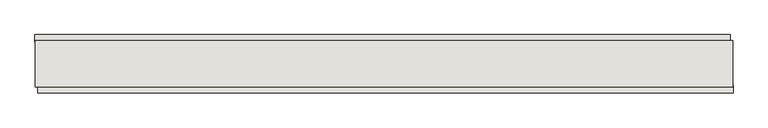
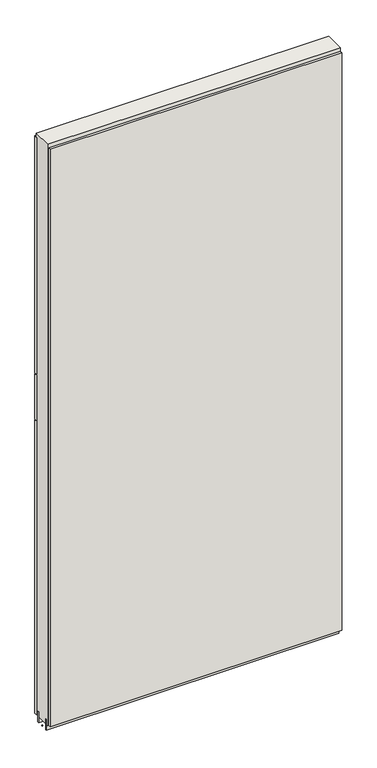
"""IFC4 building model written with IfcOpenShell, lengths in millimetres: wall geometry."""

from ifc_helpers import new_model, si_unit, frame, origin, place, context, project, spatial, polyline, outline, extrude, source, transform, mapped, element, save


def wall_33778266(model_context):
    return source(origin(), model_context, "Body", "SweptSolid", [
        extrude(outline(polyline([(41657.27, -45576.627668), (41654.73, -45576.627668), (41654.73, -45574.087668), (41657.27, -45574.087668), (41657.27, -45576.627668)])), frame((0.0, 0.0, 4419.6), z_axis=(0.0, 0.0, 1.0), x_axis=(1.0, 0.0, 0.0)), (0.0, 0.0, 1.0), 2.54),
        extrude(outline(polyline([(41654.2668818, -45524.557668), (42869.4668898, -45524.557668), (42869.4668898, -45537.257668), (41654.2668818, -45537.257668), (41654.2668818, -45524.557668)])), frame((0.0, 0.0, 5945.599869), z_axis=(0.0, 0.0, 1.0), x_axis=(1.0, 0.0, 0.0)), (0.0, 0.0, 1.0), 1044.449905),
        extrude(outline(polyline([(41654.2668818, -45524.557668), (42869.4668898, -45524.557668), (42869.4668898, -45537.257668), (41654.2668818, -45537.257668), (41654.2668818, -45524.557668)])), frame((0.0, 0.0, 5742.3999706), z_axis=(0.0, 0.0, 1.0), x_axis=(1.0, 0.0, 0.0)), (0.0, 0.0, 1.0), 199.2000512),
        extrude(outline(polyline([(41654.2668818, -45524.557668), (42869.4668898, -45524.557668), (42869.4668898, -45537.257668), (41654.2668818, -45537.257668), (41654.2668818, -45524.557668)])), frame((0.0, 0.0, 4445.0), z_axis=(0.0, 0.0, 1.0), x_axis=(1.0, 0.0, 0.0)), (0.0, 0.0, 1.0), 1293.400004),
        extrude(outline(polyline([(42874.3968266, -45626.157668), (41659.1968186, -45626.157668), (41659.1968186, -45613.457668), (42874.3968266, -45613.457668), (42874.3968266, -45626.157668)])), frame((0.0, 0.0, 4445.0), z_axis=(0.0, 0.0, 1.0), x_axis=(1.0, 0.0, 0.0)), (0.0, 0.0, 1.0), 2545.0498756),
        extrude(outline(polyline([(42873.9287554, -45550.2770222), (41654.7287554, -45550.2770222), (41654.7287554, -45545.1982668), (42873.9287554, -45545.1982668), (42873.9287554, -45550.2770222)])), frame((0.0, 0.0, 4418.6602), z_axis=(0.0, 0.0, 1.0), x_axis=(1.0, 0.0, 0.0)), (0.0, 0.0, 1.0), 47.625),
        extrude(outline(polyline([(42873.9287554, -45550.2770222), (41654.7287554, -45550.2770222), (41654.7287554, -45545.1982668), (42873.9287554, -45545.1982668), (42873.9287554, -45550.2770222)])), frame((0.0, 0.0, 4418.6602), z_axis=(0.0, 0.0, 1.0), x_axis=(1.0, 0.0, 0.0)), (0.0, 0.0, 1.0), 47.625),
        extrude(outline(polyline([(41654.7287554, -45600.4414126), (42873.9287554, -45600.4414126), (42873.9287554, -45605.5232668), (41654.7287554, -45605.5232668), (41654.7287554, -45600.4414126)])), frame((0.0, 0.0, 4418.6602), z_axis=(0.0, 0.0, 1.0), x_axis=(1.0, 0.0, 0.0)), (0.0, 0.0, 1.0), 47.625),
        extrude(outline(polyline([(41654.7287554, -45600.4414126), (42873.9287554, -45600.4414126), (42873.9287554, -45605.5232668), (41654.7287554, -45605.5232668), (41654.7287554, -45600.4414126)])), frame((0.0, 0.0, 4418.6602), z_axis=(0.0, 0.0, 1.0), x_axis=(1.0, 0.0, 0.0)), (0.0, 0.0, 1.0), 47.625),
        extrude(outline(polyline([(42873.9287554, -45534.733797), (42873.9287554, -45616.0125524), (41654.7287554, -45616.0125524), (41654.7287554, -45534.7058824), (42873.9287554, -45534.733797)])), frame((0.0, 0.0, 4445.0), z_axis=(0.0, 0.0, 1.0), x_axis=(1.0, 0.0, 0.0)), (0.0, 0.0, 1.0), 2562.4536762),
    ])


if __name__ == "__main__":
    model = new_model("IFC4")
    model_context = context("Model", 3, world=origin())
    ifc_project = project(units=[si_unit("LENGTHUNIT", "METRE", prefix="MILLI")], contexts=[model_context])
    site = spatial("IfcSite", under=ifc_project)
    building = spatial("IfcBuilding", under=site)
    placement = place(None, origin())
    wall_shape = wall_33778266(model_context)
    element("IfcWall", 1, at=placement, inside=building, context=model_context, shape_type="MappedRepresentation", body=[
        mapped(wall_shape, transform((0.0, 0.0, 0.0), x_axis=(1.0, 0.0, 0.0), y_axis=(0.0, 1.0, 0.0), z_axis=(0.0, 0.0, 1.0))),
    ])
    save(model, "model.ifc")
